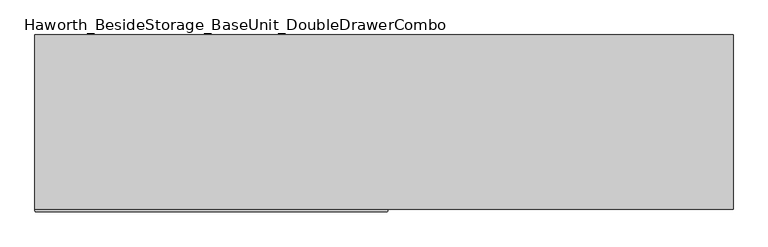
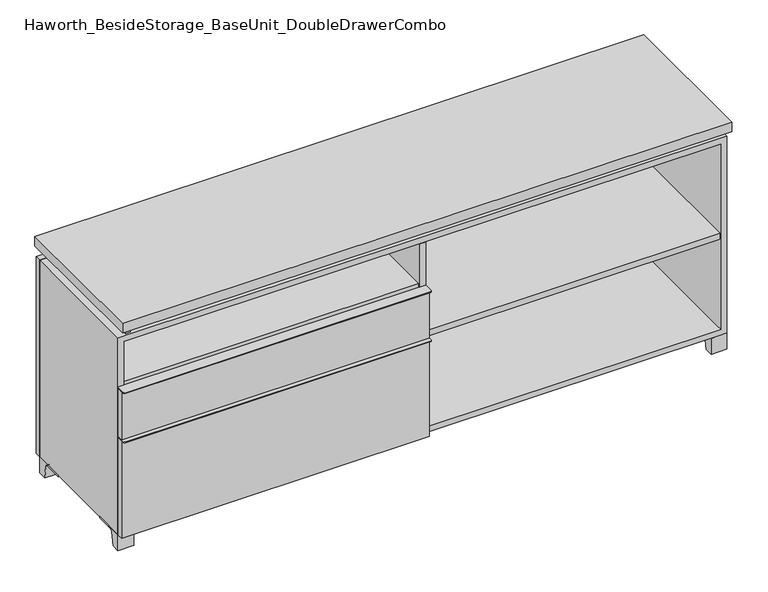
"""IFC4 building model written with IfcOpenShell, lengths in millimetres: furniture geometry, Haworth_BesideStorage_BaseUnit_DoubleDrawerCombo."""

from ifc_helpers import new_model, si_unit, point, frame, frame_2d, origin, place, context, project, spatial, polyline, circle_curve, trimmed, segment, composite_curve, outline, extrude, source, transform, mapped, element, save


def haworth_besidestorage_baseunit_doubledrawercombo_773a05d9(model_context):
    return source(origin(), model_context, "Body", "SweptSolid", [
        extrude(outline(polyline([(-9.5111094, 234.95), (-9.5111094, -136.525), (-895.3361094, -136.525), (-895.3361094, 234.95), (-9.5111094, 234.95)])), frame((0.0, 0.0, 510.38125), z_axis=(0.0, 0.0, 1.0), x_axis=(1.0, 0.0, 0.0)), (0.0, 0.0, 1.0), 19.05),
        extrude(outline(composite_curve([segment(polyline([(9.5388906, -139.7), (9.5388906, -168.275)]), True, "CONTINUOUS"), segment(trimmed(circle_curve(frame_2d((6.3638906, -168.275)), 3.175), [point((9.5388906, -168.275))], [point((6.3638906, -171.45))], False, "CARTESIAN"), True, "CONTINUOUS"), segment(polyline([(6.3638906, -171.45), (-911.2111094, -171.45)]), True, "CONTINUOUS"), segment(trimmed(circle_curve(frame_2d((-911.2111094, -168.275)), 3.175), [point((-911.2111094, -171.45))], [point((-914.3861094, -168.275))], False, "CARTESIAN"), True, "CONTINUOUS"), segment(polyline([(-914.3861094, -168.275), (-914.3861094, -139.7), (9.5388906, -139.7)]), True, "CONTINUOUS")], self_intersect=False)), frame((0.0, 0.0, 517.525), z_axis=(0.0, 0.0, 1.0), x_axis=(1.0, 0.0, 0.0)), (0.0, 0.0, 1.0), 2.38125),
        extrude(outline(polyline([(9.5388906, -139.7), (9.5388906, -158.75), (-914.3861094, -158.75), (-914.3861094, -139.7), (9.5388906, -139.7)])), frame((0.0, 0.0, 363.5375), z_axis=(0.0, 0.0, 1.0), x_axis=(1.0, 0.0, 0.0)), (0.0, 0.0, 1.0), 153.9875),
        extrude(outline(composite_curve([segment(polyline([(9.5388906, -139.7), (9.5388906, -168.275)]), True, "CONTINUOUS"), segment(trimmed(circle_curve(frame_2d((6.3638906, -168.275)), 3.175), [point((9.5388906, -168.275))], [point((6.3638906, -171.45))], False, "CARTESIAN"), True, "CONTINUOUS"), segment(polyline([(6.3638906, -171.45), (-911.2111094, -171.45)]), True, "CONTINUOUS"), segment(trimmed(circle_curve(frame_2d((-911.2111094, -168.275)), 3.175), [point((-911.2111094, -171.45))], [point((-914.3861094, -168.275))], False, "CARTESIAN"), True, "CONTINUOUS"), segment(polyline([(-914.3861094, -168.275), (-914.3861094, -139.7), (9.5388906, -139.7)]), True, "CONTINUOUS")], self_intersect=False)), frame((0.0, 0.0, 361.15625), z_axis=(0.0, 0.0, 1.0), x_axis=(1.0, 0.0, 0.0)), (0.0, 0.0, 1.0), 2.38125),
        extrude(outline(polyline([(9.5388906, -139.7), (9.5388906, -158.75), (-914.3861094, -158.75), (-914.3861094, -139.7), (9.5388906, -139.7)])), frame((0.0, 0.0, 50.8), z_axis=(0.0, 0.0, 1.0), x_axis=(1.0, 0.0, 0.0)), (0.0, 0.0, 1.0), 310.35625),
        extrude(outline(polyline([(895.3569453, 234.95), (895.3569453, -136.525), (9.5319453, -136.525), (9.5319453, 234.95), (895.3569453, 234.95)])), frame((0.0, 0.0, 354.0125), z_axis=(0.0, 0.0, 1.0), x_axis=(1.0, 0.0, 0.0)), (0.0, 0.0, 1.0), 19.05),
        extrude(outline(composite_curve([segment(polyline([(53.9749864, 0.0), (28.575, 0.0), (28.575, 50.8), (123.825, 50.8), (123.825, 46.0213321), (67.0244655, 46.0213321)]), True, "CONTINUOUS"), segment(trimmed(circle_curve(frame_2d((67.0244655, 39.6713321)), 6.35), [point((67.0244655, 46.0213321))], [point((60.7608641, 40.7152656))], True, "CARTESIAN"), True, "CONTINUOUS"), segment(polyline([(60.7608641, 40.7152656), (53.9749864, 0.0)]), True, "CONTINUOUS")], self_intersect=False)), frame((-23.7986094, 0.0, 0.0), z_axis=(1.0, 0.0, 0.0), x_axis=(0.0, 1.0, 0.0)), (0.0, 0.0, 1.0), 47.625),
        extrude(outline(polyline([(914.4138906, 292.1), (914.4138906, -165.1), (-914.3861094, -165.1), (-914.3861094, 292.1), (914.4138906, 292.1)])), frame((0.0, 0.0, 706.4375), z_axis=(0.0, 0.0, 1.0), x_axis=(1.0, 0.0, 0.0)), (0.0, 0.0, 1.0), 30.1625),
        extrude(outline(composite_curve([segment(polyline([(-114.3000136, 0.0), (-139.7, 0.0), (-139.7, 50.8), (-44.45, 50.8), (-44.45, 46.0213321), (-101.2505345, 46.0213321)]), True, "CONTINUOUS"), segment(trimmed(circle_curve(frame_2d((-101.2505345, 39.6713321)), 6.35), [point((-101.2505345, 46.0213321))], [point((-107.5141359, 40.7152656))], True, "CARTESIAN"), True, "CONTINUOUS"), segment(polyline([(-107.5141359, 40.7152656), (-114.3000136, 0.0)]), True, "CONTINUOUS")], self_intersect=False)), frame((866.7888906, 0.0, 0.0), z_axis=(1.0, 0.0, 0.0), x_axis=(0.0, 1.0, 0.0)), (0.0, 0.0, 1.0), 47.625),
        extrude(outline(composite_curve([segment(polyline([(241.3000136, 0.0), (234.5141359, 40.7152656)]), True, "CONTINUOUS"), segment(trimmed(circle_curve(frame_2d((228.2505345, 39.6713321)), 6.35), [point((234.5141359, 40.7152656))], [point((228.2505345, 46.0213321))], True, "CARTESIAN"), True, "CONTINUOUS"), segment(polyline([(228.2505345, 46.0213321), (171.45, 46.0213321), (171.45, 50.8), (266.7, 50.8), (266.7, 0.0), (241.3000136, 0.0)]), True, "CONTINUOUS")], self_intersect=False)), frame((866.7888906, 0.0, 0.0), z_axis=(1.0, 0.0, 0.0), x_axis=(0.0, 1.0, 0.0)), (0.0, 0.0, 1.0), 47.625),
        extrude(outline(composite_curve([segment(polyline([(-114.3000136, 0.0), (-139.7, 0.0), (-139.7, 50.8), (-44.45, 50.8), (-44.45, 46.0213321), (-101.2505345, 46.0213321)]), True, "CONTINUOUS"), segment(trimmed(circle_curve(frame_2d((-101.2505345, 39.6713321)), 6.35), [point((-101.2505345, 46.0213321))], [point((-107.5141359, 40.7152656))], True, "CARTESIAN"), True, "CONTINUOUS"), segment(polyline([(-107.5141359, 40.7152656), (-114.3000136, 0.0)]), True, "CONTINUOUS")], self_intersect=False)), frame((-914.3861094, 0.0, 0.0), z_axis=(1.0, 0.0, 0.0), x_axis=(0.0, 1.0, 0.0)), (0.0, 0.0, 1.0), 47.625),
        extrude(outline(composite_curve([segment(polyline([(241.3000136, 0.0), (234.5141359, 40.7152656)]), True, "CONTINUOUS"), segment(trimmed(circle_curve(frame_2d((228.2505345, 39.6713321)), 6.35), [point((234.5141359, 40.7152656))], [point((228.2505345, 46.0213321))], True, "CARTESIAN"), True, "CONTINUOUS"), segment(polyline([(228.2505345, 46.0213321), (171.45, 46.0213321), (171.45, 50.8), (266.7, 50.8), (266.7, 0.0), (241.3000136, 0.0)]), True, "CONTINUOUS")], self_intersect=False)), frame((-914.3861094, 0.0, 0.0), z_axis=(1.0, 0.0, 0.0), x_axis=(0.0, 1.0, 0.0)), (0.0, 0.0, 1.0), 47.625),
        extrude(outline(polyline([(-888.9791641, -133.35), (-888.9791641, 234.95), (-873.1041641, 234.95), (-873.1041641, 73.025), (-7.9236094, 73.025), (-7.9236094, 247.65), (7.9513906, 247.65), (7.9513906, 73.025), (873.1111094, 73.025), (873.1111094, 247.65), (888.9861094, 247.65), (888.9861094, -120.65), (873.1111094, -120.65), (873.1111094, 53.975), (7.9513906, 53.975), (7.9513906, -120.65), (-7.9236094, -120.65), (-7.9236094, 53.975), (-873.1041641, 53.975), (-873.1041641, -133.35), (-888.9791641, -133.35)])), frame((0.0, 0.0, 676.275), z_axis=(0.0, 0.0, 1.0), x_axis=(1.0, 0.0, 0.0)), (0.0, 0.0, 1.0), 30.1625),
        extrude(outline(polyline([(9.5388906, 234.95), (9.5388906, -139.7), (-9.5111094, -139.7), (-9.5111094, 234.95), (9.5388906, 234.95)])), frame((0.0, 0.0, 69.85), z_axis=(0.0, 0.0, 1.0), x_axis=(1.0, 0.0, 0.0)), (0.0, 0.0, 1.0), 587.375),
        extrude(outline(polyline([(914.4138906, 266.7), (-914.3861094, 266.7), (-914.3861094, 285.75), (914.4138906, 285.75), (914.4138906, 266.7)])), frame((0.0, 0.0, 50.8), z_axis=(0.0, 0.0, 1.0), x_axis=(1.0, 0.0, 0.0)), (0.0, 0.0, 1.0), 625.475),
        extrude(outline(polyline([(50.8, -914.3861094), (50.8, 914.4), (676.275, 914.4), (676.275, -914.3861094), (50.8, -914.3861094)]), holes=[polyline([(69.85, -895.3361094), (657.225, -895.3361094), (657.225, 895.3361094), (69.85, 895.3361094), (69.85, -895.3361094)])]), frame((0.0, -139.7, 0.0), z_axis=(0.0, 1.0, 0.0), x_axis=(0.0, 0.0, 1.0)), (0.0, 0.0, 1.0), 406.4),
        extrude(outline(polyline([(-895.3291641, 234.95), (-895.3291641, 241.3), (895.3569453, 241.3), (895.3569453, 234.95), (-895.3291641, 234.95)])), frame((0.0, 0.0, 69.85), z_axis=(0.0, 0.0, 1.0), x_axis=(1.0, 0.0, 0.0)), (0.0, 0.0, 1.0), 587.375),
    ])


if __name__ == "__main__":
    model = new_model("IFC4")
    model_context = context("Model", 3, world=origin())
    ifc_project = project(units=[si_unit("LENGTHUNIT", "METRE", prefix="MILLI")], contexts=[model_context])
    site = spatial("IfcSite", under=ifc_project)
    building = spatial("IfcBuilding", under=site)
    placement = place(None, origin())
    haworth_besidestorage_baseunit_doubledrawercombo_shape = haworth_besidestorage_baseunit_doubledrawercombo_773a05d9(model_context)
    element("IfcFurniture", 1, ObjectType="Haworth_BesideStorage_BaseUnit_DoubleDrawerCombo", at=placement, inside=building, context=model_context, shape_type="MappedRepresentation", body=[
        mapped(haworth_besidestorage_baseunit_doubledrawercombo_shape, transform((0.0, 0.0, 0.0), x_axis=(1.0, 0.0, 0.0), y_axis=(0.0, 1.0, 0.0), z_axis=(0.0, 0.0, 1.0))),
    ])
    save(model, "model.ifc")
